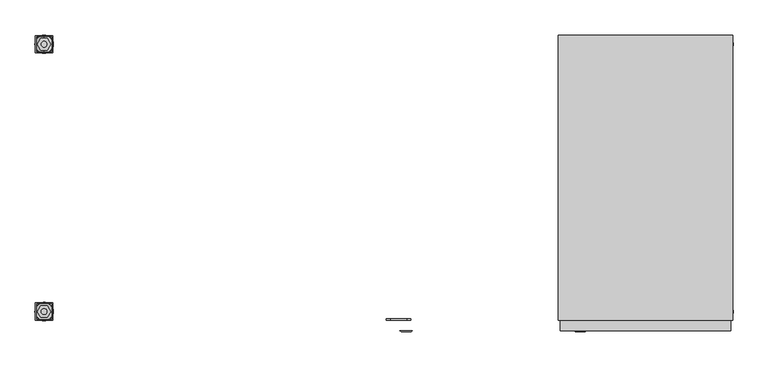
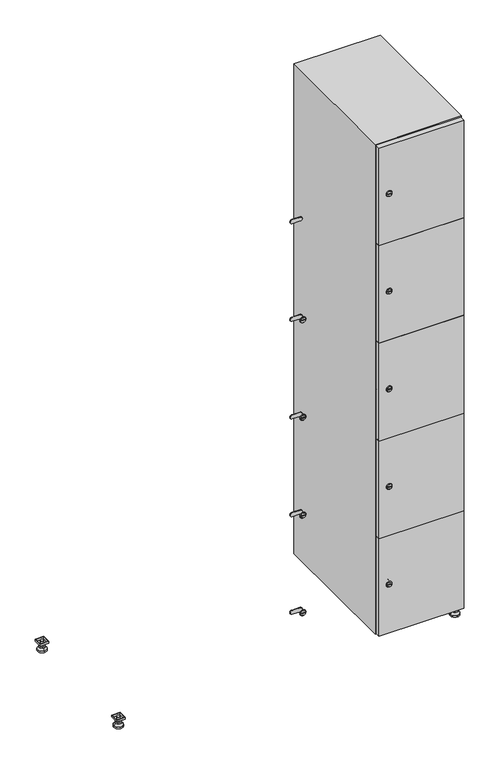
"""IFC4 building model written with IfcOpenShell, lengths in millimetres: furniture geometry."""

from ifc_helpers import new_model, si_unit, point, frame, frame_2d, origin, origin_with_axes, place, context, project, spatial, polyline, circle_curve, trimmed, segment, composite_curve, outline, extrude, faceted_brep, source, transform, mapped, element, save
from ifc_brep_helpers import plane_surface, revolved_surface, advanced_brep


def furniture_2a362561(model_context):
    return source(origin(), model_context, "Body", "SolidModel", [
        extrude(outline(polyline([(1000.0, 245.0), (1000.0, 215.0), (970.0, 215.0), (970.0, 245.0), (1000.0, 245.0)]), holes=[polyline([(998.0, 243.0), (972.0, 243.0), (972.0, 217.0), (998.0, 217.0), (998.0, 243.0)])]), frame((0.0, 0.0, 28.5), z_axis=(0.0, 0.0, 1.0), x_axis=(1.0, 0.0, 0.0)), (0.0, 0.0, 1.0), 6.5),
        extrude(outline(polyline([(970.0, -245.0), (970.0, -215.0), (1000.0, -215.0), (1000.0, -245.0), (970.0, -245.0)]), holes=[polyline([(972.0, -243.0), (998.0, -243.0), (998.0, -217.0), (972.0, -217.0), (972.0, -243.0)])]), frame((0.0, 0.0, 28.5), z_axis=(0.0, 0.0, 1.0), x_axis=(1.0, 0.0, 0.0)), (0.0, 0.0, 1.0), 6.5),
        extrude(outline(polyline([(-170.0, 245.0), (-170.0, 215.0), (-200.0, 215.0), (-200.0, 245.0), (-170.0, 245.0)]), holes=[polyline([(-172.0, 243.0), (-198.0, 243.0), (-198.0, 217.0), (-172.0, 217.0), (-172.0, 243.0)])]), frame((0.0, 0.0, 28.5), z_axis=(0.0, 0.0, 1.0), x_axis=(1.0, 0.0, 0.0)), (0.0, 0.0, 1.0), 6.5),
        extrude(outline(polyline([(-170.0, -215.0), (-170.0, -245.0), (-200.0, -245.0), (-200.0, -215.0), (-170.0, -215.0)]), holes=[polyline([(-198.0, -243.0), (-172.0, -243.0), (-172.0, -217.0), (-198.0, -217.0), (-198.0, -243.0)])]), frame((0.0, 0.0, 28.5), z_axis=(0.0, 0.0, 1.0), x_axis=(1.0, 0.0, 0.0)), (0.0, 0.0, 1.0), 6.5),
        extrude(outline(composite_curve([segment(trimmed(circle_curve(frame_2d((-185.0, 230.0)), 5.0), [point((-180.0, 230.0))], [point((-190.0, 230.0))], False, "CARTESIAN"), True, "CONTINUOUS"), segment(trimmed(circle_curve(frame_2d((-185.0, 230.0)), 5.0), [point((-190.0, 230.0))], [point((-180.0, 230.0))], False, "CARTESIAN"), True, "CONTINUOUS")], self_intersect=False)), frame((0.0, 0.0, 19.6), z_axis=(0.0, 0.0, 1.0), x_axis=(1.0, 0.0, 0.0)), (0.0, 0.0, 1.0), 15.4),
        extrude(outline(composite_curve([segment(trimmed(circle_curve(frame_2d((-185.0, -230.0)), 5.0), [point((-180.0, -230.0))], [point((-190.0, -230.0))], False, "CARTESIAN"), True, "CONTINUOUS"), segment(trimmed(circle_curve(frame_2d((-185.0, -230.0)), 5.0), [point((-190.0, -230.0))], [point((-180.0, -230.0))], False, "CARTESIAN"), True, "CONTINUOUS")], self_intersect=False)), frame((0.0, 0.0, 19.6), z_axis=(0.0, 0.0, 1.0), x_axis=(1.0, 0.0, 0.0)), (0.0, 0.0, 1.0), 15.4),
        extrude(outline(composite_curve([segment(trimmed(circle_curve(frame_2d((985.0, 230.0)), 5.0), [point((990.0, 230.0))], [point((980.0, 230.0))], False, "CARTESIAN"), True, "CONTINUOUS"), segment(trimmed(circle_curve(frame_2d((985.0, 230.0)), 5.0), [point((980.0, 230.0))], [point((990.0, 230.0))], False, "CARTESIAN"), True, "CONTINUOUS")], self_intersect=False)), frame((0.0, 0.0, 19.6), z_axis=(0.0, 0.0, 1.0), x_axis=(1.0, 0.0, 0.0)), (0.0, 0.0, 1.0), 15.4),
        extrude(outline(polyline([(973.4529946, 230.0), (979.2264973, 240.0), (990.7735027, 240.0), (996.5470054, 230.0), (990.7735027, 220.0), (979.2264973, 220.0), (973.4529946, 230.0)])), frame((0.0, 0.0, 13.6), z_axis=(0.0, 0.0, 1.0), x_axis=(1.0, 0.0, 0.0)), (0.0, 0.0, 1.0), 6.0),
        extrude(outline(composite_curve([segment(trimmed(circle_curve(frame_2d((985.0, -230.0)), 5.0), [point((990.0, -230.0))], [point((980.0, -230.0))], False, "CARTESIAN"), True, "CONTINUOUS"), segment(trimmed(circle_curve(frame_2d((985.0, -230.0)), 5.0), [point((980.0, -230.0))], [point((990.0, -230.0))], False, "CARTESIAN"), True, "CONTINUOUS")], self_intersect=False)), frame((0.0, 0.0, 19.6), z_axis=(0.0, 0.0, 1.0), x_axis=(1.0, 0.0, 0.0)), (0.0, 0.0, 1.0), 15.4),
        extrude(outline(polyline([(973.4529946, -230.0), (979.2264973, -220.0), (990.7735027, -220.0), (996.5470054, -230.0), (990.7735027, -240.0), (979.2264973, -240.0), (973.4529946, -230.0)])), frame((0.0, 0.0, 13.6), z_axis=(0.0, 0.0, 1.0), x_axis=(1.0, 0.0, 0.0)), (0.0, 0.0, 1.0), 6.0),
        extrude(outline(composite_curve([segment(trimmed(circle_curve(frame_2d((985.0, 230.0)), 5.0), [point((990.0, 230.0))], [point((980.0, 230.0))], False, "CARTESIAN"), True, "CONTINUOUS"), segment(trimmed(circle_curve(frame_2d((985.0, 230.0)), 5.0), [point((980.0, 230.0))], [point((990.0, 230.0))], False, "CARTESIAN"), True, "CONTINUOUS")], self_intersect=False)), frame((0.0, 0.0, 12.1), z_axis=(0.0, 0.0, 1.0), x_axis=(1.0, 0.0, 0.0)), (0.0, 0.0, 1.0), 1.5),
        extrude(outline(composite_curve([segment(trimmed(circle_curve(frame_2d((985.0, -230.0)), 5.0), [point((990.0, -230.0))], [point((980.0, -230.0))], False, "CARTESIAN"), True, "CONTINUOUS"), segment(trimmed(circle_curve(frame_2d((985.0, -230.0)), 5.0), [point((980.0, -230.0))], [point((990.0, -230.0))], False, "CARTESIAN"), True, "CONTINUOUS")], self_intersect=False)), frame((0.0, 0.0, 12.1), z_axis=(0.0, 0.0, 1.0), x_axis=(1.0, 0.0, 0.0)), (0.0, 0.0, 1.0), 1.5),
        extrude(outline(polyline([(-196.5470054, 230.0), (-190.7735027, 240.0), (-179.2264973, 240.0), (-173.4529946, 230.0), (-179.2264973, 220.0), (-190.7735027, 220.0), (-196.5470054, 230.0)])), frame((0.0, 0.0, 13.6), z_axis=(0.0, 0.0, 1.0), x_axis=(1.0, 0.0, 0.0)), (0.0, 0.0, 1.0), 6.0),
        extrude(outline(polyline([(-196.5470054, -230.0), (-190.7735027, -220.0), (-179.2264973, -220.0), (-173.4529946, -230.0), (-179.2264973, -240.0), (-190.7735027, -240.0), (-196.5470054, -230.0)])), frame((0.0, 0.0, 13.6), z_axis=(0.0, 0.0, 1.0), x_axis=(1.0, 0.0, 0.0)), (0.0, 0.0, 1.0), 6.0),
        extrude(outline(composite_curve([segment(trimmed(circle_curve(frame_2d((-185.0, 230.0)), 5.0), [point((-185.0, 235.0))], [point((-185.0, 225.0))], False, "CARTESIAN"), True, "CONTINUOUS"), segment(trimmed(circle_curve(frame_2d((-185.0, 230.0)), 5.0), [point((-185.0, 225.0))], [point((-185.0, 235.0))], False, "CARTESIAN"), True, "CONTINUOUS")], self_intersect=False)), frame((0.0, 0.0, 12.1), z_axis=(0.0, 0.0, 1.0), x_axis=(1.0, 0.0, 0.0)), (0.0, 0.0, 1.0), 1.5),
        extrude(outline(composite_curve([segment(trimmed(circle_curve(frame_2d((-185.0, -230.0)), 5.0), [point((-180.0, -230.0))], [point((-190.0, -230.0))], False, "CARTESIAN"), True, "CONTINUOUS"), segment(trimmed(circle_curve(frame_2d((-185.0, -230.0)), 5.0), [point((-190.0, -230.0))], [point((-180.0, -230.0))], False, "CARTESIAN"), True, "CONTINUOUS")], self_intersect=False)), frame((0.0, 0.0, 12.1), z_axis=(0.0, 0.0, 1.0), x_axis=(1.0, 0.0, 0.0)), (0.0, 0.0, 1.0), 1.5),
        extrude(outline(composite_curve([segment(trimmed(circle_curve(frame_2d((985.0, 230.0)), 15.75), [point((1000.75, 230.0))], [point((969.25, 230.0))], False, "CARTESIAN"), True, "CONTINUOUS"), segment(trimmed(circle_curve(frame_2d((985.0, 230.0)), 15.75), [point((969.25, 230.0))], [point((1000.75, 230.0))], False, "CARTESIAN"), True, "CONTINUOUS")], self_intersect=False)), origin_with_axes(), (0.0, 0.0, 1.0), 5.1),
        extrude(outline(composite_curve([segment(trimmed(circle_curve(frame_2d((985.0, -230.0)), 15.75), [point((985.0, -214.25))], [point((985.0, -245.75))], False, "CARTESIAN"), True, "CONTINUOUS"), segment(trimmed(circle_curve(frame_2d((985.0, -230.0)), 15.75), [point((985.0, -245.75))], [point((985.0, -214.25))], False, "CARTESIAN"), True, "CONTINUOUS")], self_intersect=False)), origin_with_axes(), (0.0, 0.0, 1.0), 5.1),
        extrude(outline(composite_curve([segment(trimmed(circle_curve(frame_2d((-185.0, -230.0)), 15.75), [point((-169.25, -230.0))], [point((-200.75, -230.0))], False, "CARTESIAN"), True, "CONTINUOUS"), segment(trimmed(circle_curve(frame_2d((-185.0, -230.0)), 15.75), [point((-200.75, -230.0))], [point((-169.25, -230.0))], False, "CARTESIAN"), True, "CONTINUOUS")], self_intersect=False)), origin_with_axes(), (0.0, 0.0, 1.0), 5.1),
        extrude(outline(composite_curve([segment(trimmed(circle_curve(frame_2d((-185.0, 230.0)), 15.75), [point((-169.25, 230.0))], [point((-200.75, 230.0))], False, "CARTESIAN"), True, "CONTINUOUS"), segment(trimmed(circle_curve(frame_2d((-185.0, 230.0)), 15.75), [point((-200.75, 230.0))], [point((-169.25, 230.0))], False, "CARTESIAN"), True, "CONTINUOUS")], self_intersect=False)), origin_with_axes(), (0.0, 0.0, 1.0), 5.1),
        advanced_brep(
        [(-185.0, 239.5, 12.1), (-185.0, 220.5, 12.1), (-185.0, 214.25, 5.1), (-185.0, 245.75, 5.1)],
        [
            (0, 1, circle_curve(frame((-185.0, 230.0, 12.1), z_axis=(0.0, 0.0, -1.0), x_axis=(0.0, 1.0, 0.0)), 9.5)),
            (1, 2),
            (2, 3, circle_curve(frame((-185.0, 230.0, 5.1), z_axis=(0.0, 0.0, 1.0), x_axis=(0.0, 1.0, 0.0)), 15.75)),
            (3, 0),
            (1, 0, circle_curve(frame((-185.0, 230.0, 12.1), z_axis=(0.0, 0.0, -1.0), x_axis=(0.0, -1.0, 0.0)), 9.5)),
            (3, 2, circle_curve(frame((-185.0, 230.0, 5.1), z_axis=(0.0, 0.0, 1.0), x_axis=(0.0, -1.0, 0.0)), 15.75)),
        ],
        [
            revolved_surface(polyline([(-185.0, 220.5, 12.099999999999998), (-185.0, 214.25, 5.099999999999998)]), (-185.0, 230.0, 22.74), (0.0, 0.0, -1.0)),
            revolved_surface(polyline([(-185.0, 239.5, 12.099999999999998), (-185.0, 245.75, 5.099999999999998)]), (-185.0, 230.0, 22.74), (0.0, 0.0, -1.0)),
            plane_surface(frame((-185.0, 230.0, 5.1), z_axis=(0.0, 0.0, -1.0), x_axis=(1.0, 0.0, 0.0))),
            plane_surface(frame((-185.0, 230.0, 12.1), z_axis=(0.0, 0.0, 1.0), x_axis=(1.0, 0.0, 0.0))),
        ],
        [
            (0, [[1, 2, 3, 4]]),
            (1, [[5, -4, 6, -2]]),
            (2, [[-3, -6]]),
            (3, [[-5, -1]]),
        ],
    ),
        advanced_brep(
        [(985.0, 239.5, 12.1), (985.0, 220.5, 12.1), (985.0, 214.25, 5.1), (985.0, 245.75, 5.1)],
        [
            (0, 1, circle_curve(frame((985.0, 230.0, 12.1), z_axis=(0.0, 0.0, -1.0), x_axis=(0.0, 1.0, 0.0)), 9.5)),
            (1, 2),
            (2, 3, circle_curve(frame((985.0, 230.0, 5.1), z_axis=(0.0, 0.0, 1.0), x_axis=(0.0, 1.0, 0.0)), 15.75)),
            (3, 0),
            (1, 0, circle_curve(frame((985.0, 230.0, 12.1), z_axis=(0.0, 0.0, -1.0), x_axis=(0.0, -1.0, 0.0)), 9.5)),
            (3, 2, circle_curve(frame((985.0, 230.0, 5.1), z_axis=(0.0, 0.0, 1.0), x_axis=(0.0, -1.0, 0.0)), 15.75)),
        ],
        [
            revolved_surface(polyline([(985.0, 220.5, 12.099999999999998), (985.0, 214.25, 5.099999999999998)]), (985.0, 230.0, 22.74), (0.0, 0.0, -1.0)),
            revolved_surface(polyline([(985.0, 239.5, 12.099999999999998), (985.0, 245.75, 5.099999999999998)]), (985.0, 230.0, 22.74), (0.0, 0.0, -1.0)),
            plane_surface(frame((985.0, 230.0, 5.1), z_axis=(0.0, 0.0, -1.0), x_axis=(1.0, 0.0, 0.0))),
            plane_surface(frame((985.0, 230.0, 12.1), z_axis=(0.0, 0.0, 1.0), x_axis=(1.0, 0.0, 0.0))),
        ],
        [
            (0, [[1, 2, 3, 4]]),
            (1, [[5, -4, 6, -2]]),
            (2, [[-3, -6]]),
            (3, [[-5, -1]]),
        ],
    ),
        advanced_brep(
        [(1000.75, -230.0, 5.1), (969.25, -230.0, 5.1), (975.5, -230.0, 12.1), (994.5, -230.0, 12.1)],
        [
            (0, 1, circle_curve(frame((985.0, -230.0, 5.1), z_axis=(0.0, 0.0, 1.0), x_axis=(1.0, 0.0, 0.0)), 15.75)),
            (1, 2),
            (2, 3, circle_curve(frame((985.0, -230.0, 12.1), z_axis=(0.0, 0.0, -1.0), x_axis=(1.0, 0.0, 0.0)), 9.5)),
            (3, 0),
            (1, 0, circle_curve(frame((985.0, -230.0, 5.1), z_axis=(0.0, 0.0, 1.0), x_axis=(-1.0, 0.0, 0.0)), 15.75)),
            (3, 2, circle_curve(frame((985.0, -230.0, 12.1), z_axis=(0.0, 0.0, -1.0), x_axis=(-1.0, 0.0, 0.0)), 9.5)),
        ],
        [
            revolved_surface(polyline([(994.5, -230.0, 12.099999999999998), (1000.75, -230.0, 5.099999999999998)]), (985.0, -230.0, 22.74), (0.0, 0.0, -1.0)),
            revolved_surface(polyline([(975.5, -230.0, 12.099999999999998), (969.25, -230.0, 5.099999999999998)]), (985.0, -230.0, 22.74), (0.0, 0.0, -1.0)),
            plane_surface(frame((985.0, -230.0, 12.1), z_axis=(0.0, 0.0, 1.0), x_axis=(0.0, 1.0, 0.0))),
            plane_surface(frame((985.0, -230.0, 5.1), z_axis=(0.0, 0.0, -1.0), x_axis=(0.0, 1.0, 0.0))),
        ],
        [
            (0, [[1, 2, 3, 4]]),
            (1, [[5, -4, 6, -2]]),
            (2, [[-3, -6]]),
            (3, [[-5, -1]]),
        ],
    ),
        advanced_brep(
        [(-169.25, -230.0, 5.1), (-200.75, -230.0, 5.1), (-194.5, -230.0, 12.1), (-175.5, -230.0, 12.1)],
        [
            (0, 1, circle_curve(frame((-185.0, -230.0, 5.1), z_axis=(0.0, 0.0, 1.0), x_axis=(1.0, 0.0, 0.0)), 15.75)),
            (1, 2),
            (2, 3, circle_curve(frame((-185.0, -230.0, 12.1), z_axis=(0.0, 0.0, -1.0), x_axis=(1.0, 0.0, 0.0)), 9.5)),
            (3, 0),
            (1, 0, circle_curve(frame((-185.0, -230.0, 5.1), z_axis=(0.0, 0.0, 1.0), x_axis=(-1.0, 0.0, 0.0)), 15.75)),
            (3, 2, circle_curve(frame((-185.0, -230.0, 12.1), z_axis=(0.0, 0.0, -1.0), x_axis=(-1.0, 0.0, 0.0)), 9.5)),
        ],
        [
            revolved_surface(polyline([(-175.5, -230.0, 12.099999999999998), (-169.25, -230.0, 5.099999999999998)]), (-185.0, -230.0, 22.74), (0.0, 0.0, -1.0)),
            revolved_surface(polyline([(-194.5, -230.0, 12.099999999999998), (-200.75, -230.0, 5.099999999999998)]), (-185.0, -230.0, 22.74), (0.0, 0.0, -1.0)),
            plane_surface(frame((-185.0, -230.0, 12.1), z_axis=(0.0, 0.0, 1.0), x_axis=(0.0, 1.0, 0.0))),
            plane_surface(frame((-185.0, -230.0, 5.1), z_axis=(0.0, 0.0, -1.0), x_axis=(0.0, 1.0, 0.0))),
        ],
        [
            (0, [[1, 2, 3, 4]]),
            (1, [[5, -4, 6, -2]]),
            (2, [[-3, -6]]),
            (3, [[-5, -1]]),
        ],
    ),
        extrude(outline(composite_curve([segment(trimmed(circle_curve(frame_2d((217.4, 711.2010534)), 7.0), [point((224.4, 711.2010534))], [point((210.4, 711.2010534))], False, "CARTESIAN"), True, "CONTINUOUS"), segment(polyline([(210.4, 711.2010534), (210.4, 739.2010534)]), True, "CONTINUOUS"), segment(trimmed(circle_curve(frame_2d((217.4, 739.2010534)), 7.0), [point((210.4, 739.2010534))], [point((224.4, 739.2010534))], False, "CARTESIAN"), True, "CONTINUOUS"), segment(polyline([(224.4, 739.2010534), (224.4, 711.2010534)]), True, "CONTINUOUS")], self_intersect=False)), frame((0.0, -245.0, 0.0), z_axis=(0.0, 1.0, 0.0), x_axis=(0.0, 0.0, 1.0)), (0.0, 0.0, 1.0), 2.0),
        advanced_brep(
        [(746.5, -265.2, 217.4), (729.5, -265.2, 217.4), (733.0, -265.2, 216.15), (733.0, -265.2, 218.65), (743.0, -265.2, 218.65), (743.0, -265.2, 216.15), (748.5, -263.0, 217.4), (727.5, -263.0, 217.4), (733.0, -263.0, 218.65), (733.0, -263.0, 216.15), (743.0, -263.0, 216.15), (743.0, -263.0, 218.65)],
        [
            (0, 1, circle_curve(frame((738.0, -265.2, 217.4), z_axis=(0.0, -1.0, 0.0), x_axis=(1.0, 0.0, 0.0)), 8.5)),
            (1, 0, circle_curve(frame((738.0, -265.2, 217.4), z_axis=(0.0, -1.0, 0.0), x_axis=(-1.0, 0.0, 0.0)), 8.5)),
            (2, 3),
            (3, 4),
            (4, 5),
            (5, 2),
            (6, 7, circle_curve(frame((738.0, -263.0, 217.4), z_axis=(0.0, 1.0, 0.0), x_axis=(-1.0, 0.0, 0.0)), 10.5)),
            (7, 6, circle_curve(frame((738.0, -263.0, 217.4), z_axis=(0.0, 1.0, 0.0), x_axis=(1.0, 0.0, 0.0)), 10.5)),
            (8, 9),
            (9, 10),
            (10, 11),
            (11, 8),
            (0, 6),
            (7, 1),
            (8, 3),
            (2, 9),
            (11, 4),
            (10, 5),
        ],
        [
            plane_surface(frame((738.0, -265.2, 217.4), z_axis=(0.0, -1.0, 0.0), x_axis=(0.0, 0.0, 1.0))),
            plane_surface(frame((738.0, -263.0, 217.4), z_axis=(0.0, 1.0, 0.0), x_axis=(0.0, 0.0, 1.0))),
            revolved_surface(polyline([(746.5, -265.2, 217.4), (748.5, -263.0, 217.4)]), (738.0, -274.55, 217.4), (0.0, 1.0, 0.0)),
            revolved_surface(polyline([(729.5, -265.2, 217.4), (727.5, -263.0, 217.4)]), (738.0, -274.55, 217.4), (0.0, 1.0, 0.0)),
            plane_surface(frame((733.0, -263.0, 216.15), z_axis=(1.0, 0.0, 0.0), x_axis=(0.0, -1.0, 0.0))),
            plane_surface(frame((733.0, -263.0, 218.65), z_axis=(0.0, 0.0, -1.0), x_axis=(0.0, -1.0, 0.0))),
            plane_surface(frame((743.0, -263.0, 218.65), z_axis=(-1.0, 0.0, 0.0), x_axis=(0.0, -1.0, 0.0))),
            plane_surface(frame((743.0, -263.0, 216.15), z_axis=(0.0, 0.0, 1.0), x_axis=(0.0, -1.0, 0.0))),
        ],
        [
            (0, [[1, 2], [3, 4, 5, 6]]),
            (1, [[7, 8], [9, 10, 11, 12]]),
            (2, [[-1, 13, -8, 14]]),
            (3, [[-2, -14, -7, -13]]),
            (4, [[15, -3, 16, -9]]),
            (5, [[-15, -12, 17, -4]]),
            (6, [[-17, -11, 18, -5]]),
            (7, [[-16, -6, -18, -10]]),
        ],
    ),
        extrude(outline(composite_curve([segment(trimmed(circle_curve(frame_2d((576.2, 711.2010534)), 7.0), [point((583.2, 711.2010534))], [point((569.2, 711.2010534))], False, "CARTESIAN"), True, "CONTINUOUS"), segment(polyline([(569.2, 711.2010534), (569.2, 739.2010534)]), True, "CONTINUOUS"), segment(trimmed(circle_curve(frame_2d((576.2, 739.2010534)), 7.0), [point((569.2, 739.2010534))], [point((583.2, 739.2010534))], False, "CARTESIAN"), True, "CONTINUOUS"), segment(polyline([(583.2, 739.2010534), (583.2, 711.2010534)]), True, "CONTINUOUS")], self_intersect=False)), frame((0.0, -245.0, 0.0), z_axis=(0.0, 1.0, 0.0), x_axis=(0.0, 0.0, 1.0)), (0.0, 0.0, 1.0), 2.0),
        advanced_brep(
        [(746.5, -265.2, 576.2), (729.5, -265.2, 576.2), (733.0, -265.2, 574.95), (733.0, -265.2, 577.45), (743.0, -265.2, 577.45), (743.0, -265.2, 574.95), (748.5, -263.0, 576.2), (727.5, -263.0, 576.2), (733.0, -263.0, 577.45), (733.0, -263.0, 574.95), (743.0, -263.0, 574.95), (743.0, -263.0, 577.45)],
        [
            (0, 1, circle_curve(frame((738.0, -265.2, 576.2), z_axis=(0.0, -1.0, 0.0), x_axis=(1.0, 0.0, 0.0)), 8.5)),
            (1, 0, circle_curve(frame((738.0, -265.2, 576.2), z_axis=(0.0, -1.0, 0.0), x_axis=(-1.0, 0.0, 0.0)), 8.5)),
            (2, 3),
            (3, 4),
            (4, 5),
            (5, 2),
            (6, 7, circle_curve(frame((738.0, -263.0, 576.2), z_axis=(0.0, 1.0, 0.0), x_axis=(-1.0, 0.0, 0.0)), 10.5)),
            (7, 6, circle_curve(frame((738.0, -263.0, 576.2), z_axis=(0.0, 1.0, 0.0), x_axis=(1.0, 0.0, 0.0)), 10.5)),
            (8, 9),
            (9, 10),
            (10, 11),
            (11, 8),
            (0, 6),
            (7, 1),
            (8, 3),
            (2, 9),
            (11, 4),
            (10, 5),
        ],
        [
            plane_surface(frame((738.0, -265.2, 576.2), z_axis=(0.0, -1.0, 0.0), x_axis=(0.0, 0.0, 1.0))),
            plane_surface(frame((738.0, -263.0, 576.2), z_axis=(0.0, 1.0, 0.0), x_axis=(0.0, 0.0, 1.0))),
            revolved_surface(polyline([(746.5, -265.2, 576.2), (748.5, -263.0, 576.2)]), (738.0, -274.55, 576.2), (0.0, 1.0, 0.0)),
            revolved_surface(polyline([(729.5, -265.2, 576.2), (727.5, -263.0, 576.2)]), (738.0, -274.55, 576.2), (0.0, 1.0, 0.0)),
            plane_surface(frame((733.0, -263.0, 574.95), z_axis=(1.0, 0.0, 0.0), x_axis=(0.0, -1.0, 0.0))),
            plane_surface(frame((733.0, -263.0, 577.45), z_axis=(0.0, 0.0, -1.0), x_axis=(0.0, -1.0, 0.0))),
            plane_surface(frame((743.0, -263.0, 577.45), z_axis=(-1.0, 0.0, 0.0), x_axis=(0.0, -1.0, 0.0))),
            plane_surface(frame((743.0, -263.0, 574.95), z_axis=(0.0, 0.0, 1.0), x_axis=(0.0, -1.0, 0.0))),
        ],
        [
            (0, [[1, 2], [3, 4, 5, 6]]),
            (1, [[7, 8], [9, 10, 11, 12]]),
            (2, [[-1, 13, -8, 14]]),
            (3, [[-2, -14, -7, -13]]),
            (4, [[15, -3, 16, -9]]),
            (5, [[-15, -12, 17, -4]]),
            (6, [[-17, -11, 18, -5]]),
            (7, [[-16, -6, -18, -10]]),
        ],
    ),
        extrude(outline(composite_curve([segment(trimmed(circle_curve(frame_2d((935.0, 711.2010534)), 7.0), [point((942.0, 711.2010534))], [point((928.0, 711.2010534))], False, "CARTESIAN"), True, "CONTINUOUS"), segment(polyline([(928.0, 711.2010534), (928.0, 739.2010534)]), True, "CONTINUOUS"), segment(trimmed(circle_curve(frame_2d((935.0, 739.2010534)), 7.0), [point((928.0, 739.2010534))], [point((942.0, 739.2010534))], False, "CARTESIAN"), True, "CONTINUOUS"), segment(polyline([(942.0, 739.2010534), (942.0, 711.2010534)]), True, "CONTINUOUS")], self_intersect=False)), frame((0.0, -245.0, 0.0), z_axis=(0.0, 1.0, 0.0), x_axis=(0.0, 0.0, 1.0)), (0.0, 0.0, 1.0), 2.0),
        advanced_brep(
        [(746.5, -265.2, 935.0), (729.5, -265.2, 935.0), (733.0, -265.2, 933.75), (733.0, -265.2, 936.25), (743.0, -265.2, 936.25), (743.0, -265.2, 933.75), (748.5, -263.0, 935.0), (727.5, -263.0, 935.0), (733.0, -263.0, 936.25), (733.0, -263.0, 933.75), (743.0, -263.0, 933.75), (743.0, -263.0, 936.25)],
        [
            (0, 1, circle_curve(frame((738.0, -265.2, 935.0), z_axis=(0.0, -1.0, 0.0), x_axis=(1.0, 0.0, 0.0)), 8.5)),
            (1, 0, circle_curve(frame((738.0, -265.2, 935.0), z_axis=(0.0, -1.0, 0.0), x_axis=(-1.0, 0.0, 0.0)), 8.5)),
            (2, 3),
            (3, 4),
            (4, 5),
            (5, 2),
            (6, 7, circle_curve(frame((738.0, -263.0, 935.0), z_axis=(0.0, 1.0, 0.0), x_axis=(-1.0, 0.0, 0.0)), 10.5)),
            (7, 6, circle_curve(frame((738.0, -263.0, 935.0), z_axis=(0.0, 1.0, 0.0), x_axis=(1.0, 0.0, 0.0)), 10.5)),
            (8, 9),
            (9, 10),
            (10, 11),
            (11, 8),
            (0, 6),
            (7, 1),
            (8, 3),
            (2, 9),
            (11, 4),
            (10, 5),
        ],
        [
            plane_surface(frame((738.0, -265.2, 935.0), z_axis=(0.0, -1.0, 0.0), x_axis=(0.0, 0.0, 1.0))),
            plane_surface(frame((738.0, -263.0, 935.0), z_axis=(0.0, 1.0, 0.0), x_axis=(0.0, 0.0, 1.0))),
            revolved_surface(polyline([(746.5, -265.2, 935.0), (748.5, -263.0, 935.0)]), (738.0, -274.55, 935.0), (0.0, 1.0, 0.0)),
            revolved_surface(polyline([(729.5, -265.2, 935.0), (727.5, -263.0, 935.0)]), (738.0, -274.55, 935.0), (0.0, 1.0, 0.0)),
            plane_surface(frame((733.0, -263.0, 933.75), z_axis=(1.0, 0.0, 0.0), x_axis=(0.0, -1.0, 0.0))),
            plane_surface(frame((733.0, -263.0, 936.25), z_axis=(0.0, 0.0, -1.0), x_axis=(0.0, -1.0, 0.0))),
            plane_surface(frame((743.0, -263.0, 936.25), z_axis=(-1.0, 0.0, 0.0), x_axis=(0.0, -1.0, 0.0))),
            plane_surface(frame((743.0, -263.0, 933.75), z_axis=(0.0, 0.0, 1.0), x_axis=(0.0, -1.0, 0.0))),
        ],
        [
            (0, [[1, 2], [3, 4, 5, 6]]),
            (1, [[7, 8], [9, 10, 11, 12]]),
            (2, [[-1, 13, -8, 14]]),
            (3, [[-2, -14, -7, -13]]),
            (4, [[15, -3, 16, -9]]),
            (5, [[-15, -12, 17, -4]]),
            (6, [[-17, -11, 18, -5]]),
            (7, [[-16, -6, -18, -10]]),
        ],
    ),
        extrude(outline(composite_curve([segment(trimmed(circle_curve(frame_2d((1293.8, 711.2010534)), 7.0), [point((1300.8, 711.2010534))], [point((1286.8, 711.2010534))], False, "CARTESIAN"), True, "CONTINUOUS"), segment(polyline([(1286.8, 711.2010534), (1286.8, 739.2010534)]), True, "CONTINUOUS"), segment(trimmed(circle_curve(frame_2d((1293.8, 739.2010534)), 7.0), [point((1286.8, 739.2010534))], [point((1300.8, 739.2010534))], False, "CARTESIAN"), True, "CONTINUOUS"), segment(polyline([(1300.8, 739.2010534), (1300.8, 711.2010534)]), True, "CONTINUOUS")], self_intersect=False)), frame((0.0, -245.0, 0.0), z_axis=(0.0, 1.0, 0.0), x_axis=(0.0, 0.0, 1.0)), (0.0, 0.0, 1.0), 2.0),
        advanced_brep(
        [(746.5, -265.2, 1293.8), (729.5, -265.2, 1293.8), (733.0, -265.2, 1292.55), (733.0, -265.2, 1295.05), (743.0, -265.2, 1295.05), (743.0, -265.2, 1292.55), (748.5, -263.0, 1293.8), (727.5, -263.0, 1293.8), (733.0, -263.0, 1295.05), (733.0, -263.0, 1292.55), (743.0, -263.0, 1292.55), (743.0, -263.0, 1295.05)],
        [
            (0, 1, circle_curve(frame((738.0, -265.2, 1293.8), z_axis=(0.0, -1.0, 0.0), x_axis=(1.0, 0.0, 0.0)), 8.5)),
            (1, 0, circle_curve(frame((738.0, -265.2, 1293.8), z_axis=(0.0, -1.0, 0.0), x_axis=(-1.0, 0.0, 0.0)), 8.5)),
            (2, 3),
            (3, 4),
            (4, 5),
            (5, 2),
            (6, 7, circle_curve(frame((738.0, -263.0, 1293.8), z_axis=(0.0, 1.0, 0.0), x_axis=(-1.0, 0.0, 0.0)), 10.5)),
            (7, 6, circle_curve(frame((738.0, -263.0, 1293.8), z_axis=(0.0, 1.0, 0.0), x_axis=(1.0, 0.0, 0.0)), 10.5)),
            (8, 9),
            (9, 10),
            (10, 11),
            (11, 8),
            (0, 6),
            (7, 1),
            (8, 3),
            (2, 9),
            (11, 4),
            (10, 5),
        ],
        [
            plane_surface(frame((738.0, -265.2, 1293.8), z_axis=(0.0, -1.0, 0.0), x_axis=(0.0, 0.0, 1.0))),
            plane_surface(frame((738.0, -263.0, 1293.8), z_axis=(0.0, 1.0, 0.0), x_axis=(0.0, 0.0, 1.0))),
            revolved_surface(polyline([(746.5, -265.2, 1293.8), (748.5, -263.0, 1293.8)]), (738.0, -274.55, 1293.8), (0.0, 1.0, 0.0)),
            revolved_surface(polyline([(729.5, -265.2, 1293.8), (727.5, -263.0, 1293.8)]), (738.0, -274.55, 1293.8), (0.0, 1.0, 0.0)),
            plane_surface(frame((733.0, -263.0, 1292.55), z_axis=(1.0, 0.0, 0.0), x_axis=(0.0, -1.0, 0.0))),
            plane_surface(frame((733.0, -263.0, 1295.05), z_axis=(0.0, 0.0, -1.0), x_axis=(0.0, -1.0, 0.0))),
            plane_surface(frame((743.0, -263.0, 1295.05), z_axis=(-1.0, 0.0, 0.0), x_axis=(0.0, -1.0, 0.0))),
            plane_surface(frame((743.0, -263.0, 1292.55), z_axis=(0.0, 0.0, 1.0), x_axis=(0.0, -1.0, 0.0))),
        ],
        [
            (0, [[1, 2], [3, 4, 5, 6]]),
            (1, [[7, 8], [9, 10, 11, 12]]),
            (2, [[-1, 13, -8, 14]]),
            (3, [[-2, -14, -7, -13]]),
            (4, [[15, -3, 16, -9]]),
            (5, [[-15, -12, 17, -4]]),
            (6, [[-17, -11, 18, -5]]),
            (7, [[-16, -6, -18, -10]]),
        ],
    ),
        extrude(outline(composite_curve([segment(trimmed(circle_curve(frame_2d((1652.6, 711.2010534)), 7.0), [point((1659.6, 711.2010534))], [point((1645.6, 711.2010534))], False, "CARTESIAN"), True, "CONTINUOUS"), segment(polyline([(1645.6, 711.2010534), (1645.6, 739.2010534)]), True, "CONTINUOUS"), segment(trimmed(circle_curve(frame_2d((1652.6, 739.2010534)), 7.0), [point((1645.6, 739.2010534))], [point((1659.6, 739.2010534))], False, "CARTESIAN"), True, "CONTINUOUS"), segment(polyline([(1659.6, 739.2010534), (1659.6, 711.2010534)]), True, "CONTINUOUS")], self_intersect=False)), frame((0.0, -245.0, 0.0), z_axis=(0.0, 1.0, 0.0), x_axis=(0.0, 0.0, 1.0)), (0.0, 0.0, 1.0), 2.0),
        advanced_brep(
        [(746.5, -265.2, 1652.6), (729.5, -265.2, 1652.6), (733.0, -265.2, 1651.35), (733.0, -265.2, 1653.85), (743.0, -265.2, 1653.85), (743.0, -265.2, 1651.35), (748.5, -263.0, 1652.6), (727.5, -263.0, 1652.6), (733.0, -263.0, 1653.85), (733.0, -263.0, 1651.35), (743.0, -263.0, 1651.35), (743.0, -263.0, 1653.85)],
        [
            (0, 1, circle_curve(frame((738.0, -265.2, 1652.6), z_axis=(0.0, -1.0, 0.0), x_axis=(1.0, 0.0, 0.0)), 8.5)),
            (1, 0, circle_curve(frame((738.0, -265.2, 1652.6), z_axis=(0.0, -1.0, 0.0), x_axis=(-1.0, 0.0, 0.0)), 8.5)),
            (2, 3),
            (3, 4),
            (4, 5),
            (5, 2),
            (6, 7, circle_curve(frame((738.0, -263.0, 1652.6), z_axis=(0.0, 1.0, 0.0), x_axis=(-1.0, 0.0, 0.0)), 10.5)),
            (7, 6, circle_curve(frame((738.0, -263.0, 1652.6), z_axis=(0.0, 1.0, 0.0), x_axis=(1.0, 0.0, 0.0)), 10.5)),
            (8, 9),
            (9, 10),
            (10, 11),
            (11, 8),
            (0, 6),
            (7, 1),
            (8, 3),
            (2, 9),
            (11, 4),
            (10, 5),
        ],
        [
            plane_surface(frame((738.0, -265.2, 1652.6), z_axis=(0.0, -1.0, 0.0), x_axis=(0.0, 0.0, 1.0))),
            plane_surface(frame((738.0, -263.0, 1652.6), z_axis=(0.0, 1.0, 0.0), x_axis=(0.0, 0.0, 1.0))),
            revolved_surface(polyline([(746.5, -265.2, 1652.6), (748.5, -263.0, 1652.6)]), (738.0, -274.55, 1652.6), (0.0, 1.0, 0.0)),
            revolved_surface(polyline([(729.5, -265.2, 1652.6), (727.5, -263.0, 1652.6)]), (738.0, -274.55, 1652.6), (0.0, 1.0, 0.0)),
            plane_surface(frame((733.0, -263.0, 1651.35), z_axis=(1.0, 0.0, 0.0), x_axis=(0.0, -1.0, 0.0))),
            plane_surface(frame((733.0, -263.0, 1653.85), z_axis=(0.0, 0.0, -1.0), x_axis=(0.0, -1.0, 0.0))),
            plane_surface(frame((743.0, -263.0, 1653.85), z_axis=(-1.0, 0.0, 0.0), x_axis=(0.0, -1.0, 0.0))),
            plane_surface(frame((743.0, -263.0, 1651.35), z_axis=(0.0, 0.0, 1.0), x_axis=(0.0, -1.0, 0.0))),
        ],
        [
            (0, [[1, 2], [3, 4, 5, 6]]),
            (1, [[7, 8], [9, 10, 11, 12]]),
            (2, [[-1, 13, -8, 14]]),
            (3, [[-2, -14, -7, -13]]),
            (4, [[15, -3, 16, -9]]),
            (5, [[-15, -12, 17, -4]]),
            (6, [[-17, -11, 18, -5]]),
            (7, [[-16, -6, -18, -10]]),
        ],
    ),
        extrude(outline(polyline([(997.0, -245.0), (997.0, -263.0), (703.0, -263.0), (703.0, -245.0), (997.0, -245.0)])), frame((0.0, 0.0, 755.1), z_axis=(0.0, 0.0, 1.0), x_axis=(1.0, 0.0, 0.0)), (0.0, 0.0, 1.0), 359.8),
        extrude(outline(polyline([(997.0, -245.0), (997.0, -263.0), (703.0, -263.0), (703.0, -245.0), (997.0, -245.0)])), frame((0.0, 0.0, 396.3), z_axis=(0.0, 0.0, 1.0), x_axis=(1.0, 0.0, 0.0)), (0.0, 0.0, 1.0), 359.8),
        extrude(outline(polyline([(997.0, -245.0), (997.0, -263.0), (703.0, -263.0), (703.0, -245.0), (997.0, -245.0)])), frame((0.0, 0.0, 1113.9), z_axis=(0.0, 0.0, 1.0), x_axis=(1.0, 0.0, 0.0)), (0.0, 0.0, 1.0), 358.8),
        extrude(outline(polyline([(703.0, -263.0), (703.0, -245.0), (997.0, -245.0), (997.0, -263.0), (703.0, -263.0)])), frame((0.0, 0.0, 1473.7), z_axis=(0.0, 0.0, 1.0), x_axis=(1.0, 0.0, 0.0)), (0.0, 0.0, 1.0), 358.3),
        extrude(outline(polyline([(997.0, -245.0), (997.0, -263.0), (703.0, -263.0), (703.0, -245.0), (997.0, -245.0)])), frame((0.0, 0.0, 38.0), z_axis=(0.0, 0.0, 1.0), x_axis=(1.0, 0.0, 0.0)), (0.0, 0.0, 1.0), 359.3),
        extrude(outline(polyline([(979.6, 242.0), (979.6, -227.0), (720.4, -227.0), (720.4, 242.0), (979.6, 242.0)])), frame((0.0, 0.0, 1446.68), z_axis=(0.0, 0.0, 1.0), x_axis=(1.0, 0.0, 0.0)), (0.0, 0.0, 1.0), 20.4),
        extrude(outline(polyline([(979.6, 242.0), (979.6, -227.0), (720.4, -227.0), (720.4, 242.0), (979.6, 242.0)])), frame((0.0, 0.0, 1098.76), z_axis=(0.0, 0.0, 1.0), x_axis=(1.0, 0.0, 0.0)), (0.0, 0.0, 1.0), 20.4),
        extrude(outline(polyline([(979.6, 242.0), (979.6, -227.0), (720.4, -227.0), (720.4, 242.0), (979.6, 242.0)])), frame((0.0, 0.0, 750.84), z_axis=(0.0, 0.0, 1.0), x_axis=(1.0, 0.0, 0.0)), (0.0, 0.0, 1.0), 20.4),
        extrude(outline(polyline([(720.4, 242.0), (979.6, 242.0), (979.6, -227.0), (720.4, -227.0), (720.4, 242.0)])), frame((0.0, 0.0, 402.92), z_axis=(0.0, 0.0, 1.0), x_axis=(1.0, 0.0, 0.0)), (0.0, 0.0, 1.0), 20.4),
        faceted_brep([(1000.0, -245.0, 35.0), (1000.0, -245.0, 1835.0), (700.0, -245.0, 1835.0), (700.0, -245.0, 35.0), (979.6, -245.0, 1804.8), (979.6, -245.0, 65.2), (720.4, -245.0, 65.2), (720.4, -245.0, 1804.8), (1000.0, 245.0, 35.0), (700.0, 245.0, 35.0), (1000.0, 245.0, 1835.0), (700.0, 245.0, 1835.0), (979.6, 242.0, 1804.8), (979.6, 242.0, 65.2), (700.0, 245.0, 1804.8), (720.4, 242.0, 1804.8), (720.4, 242.0, 65.2)], [[[0, 1, 2, 3], [4, 5, 6, 7]], [[8, 0, 3, 9]], [[1, 0, 8, 10]], [[1, 10, 11, 2]], [[4, 12, 13, 5]], [[9, 3, 2, 11, 14]], [[10, 8, 9, 14, 11]], [[12, 15, 16, 13]], [[15, 7, 6, 16]], [[4, 7, 15, 12]], [[6, 5, 13, 16]]]),
        extrude(outline(composite_curve([segment(trimmed(circle_curve(frame_2d((217.4, 411.2010534)), 7.0), [point((224.4, 411.2010534))], [point((210.4, 411.2010534))], False, "CARTESIAN"), True, "CONTINUOUS"), segment(polyline([(210.4, 411.2010534), (210.4, 439.2010534)]), True, "CONTINUOUS"), segment(trimmed(circle_curve(frame_2d((217.4, 439.2010534)), 7.0), [point((210.4, 439.2010534))], [point((224.4, 439.2010534))], False, "CARTESIAN"), True, "CONTINUOUS"), segment(polyline([(224.4, 439.2010534), (224.4, 411.2010534)]), True, "CONTINUOUS")], self_intersect=False)), frame((0.0, -245.0, 0.0), z_axis=(0.0, 1.0, 0.0), x_axis=(0.0, 0.0, 1.0)), (0.0, 0.0, 1.0), 2.0),
        advanced_brep(
        [(446.5, -265.2, 217.4), (429.5, -265.2, 217.4), (433.0, -265.2, 216.15), (433.0, -265.2, 218.65), (443.0, -265.2, 218.65), (443.0, -265.2, 216.15), (448.5, -263.0, 217.4), (427.5, -263.0, 217.4), (433.0, -263.0, 218.65), (433.0, -263.0, 216.15), (443.0, -263.0, 216.15), (443.0, -263.0, 218.65)],
        [
            (0, 1, circle_curve(frame((438.0, -265.2, 217.4), z_axis=(0.0, -1.0, 0.0), x_axis=(1.0, 0.0, 0.0)), 8.5)),
            (1, 0, circle_curve(frame((438.0, -265.2, 217.4), z_axis=(0.0, -1.0, 0.0), x_axis=(-1.0, 0.0, 0.0)), 8.5)),
            (2, 3),
            (3, 4),
            (4, 5),
            (5, 2),
            (6, 7, circle_curve(frame((438.0, -263.0, 217.4), z_axis=(0.0, 1.0, 0.0), x_axis=(-1.0, 0.0, 0.0)), 10.5)),
            (7, 6, circle_curve(frame((438.0, -263.0, 217.4), z_axis=(0.0, 1.0, 0.0), x_axis=(1.0, 0.0, 0.0)), 10.5)),
            (8, 9),
            (9, 10),
            (10, 11),
            (11, 8),
            (0, 6),
            (7, 1),
            (8, 3),
            (2, 9),
            (11, 4),
            (10, 5),
        ],
        [
            plane_surface(frame((438.0, -265.2, 217.4), z_axis=(0.0, -1.0, 0.0), x_axis=(0.0, 0.0, 1.0))),
            plane_surface(frame((438.0, -263.0, 217.4), z_axis=(0.0, 1.0, 0.0), x_axis=(0.0, 0.0, 1.0))),
            revolved_surface(polyline([(446.5, -265.2, 217.4), (448.5, -263.0, 217.4)]), (438.0, -274.55, 217.4), (0.0, 1.0, 0.0)),
            revolved_surface(polyline([(429.5, -265.2, 217.4), (427.5, -263.0, 217.4)]), (438.0, -274.55, 217.4), (0.0, 1.0, 0.0)),
            plane_surface(frame((433.0, -263.0, 216.15), z_axis=(1.0, 0.0, 0.0), x_axis=(0.0, -1.0, 0.0))),
            plane_surface(frame((433.0, -263.0, 218.65), z_axis=(0.0, 0.0, -1.0), x_axis=(0.0, -1.0, 0.0))),
            plane_surface(frame((443.0, -263.0, 218.65), z_axis=(-1.0, 0.0, 0.0), x_axis=(0.0, -1.0, 0.0))),
            plane_surface(frame((443.0, -263.0, 216.15), z_axis=(0.0, 0.0, 1.0), x_axis=(0.0, -1.0, 0.0))),
        ],
        [
            (0, [[1, 2], [3, 4, 5, 6]]),
            (1, [[7, 8], [9, 10, 11, 12]]),
            (2, [[-1, 13, -8, 14]]),
            (3, [[-2, -14, -7, -13]]),
            (4, [[15, -3, 16, -9]]),
            (5, [[-15, -12, 17, -4]]),
            (6, [[-17, -11, 18, -5]]),
            (7, [[-16, -6, -18, -10]]),
        ],
    ),
        extrude(outline(composite_curve([segment(trimmed(circle_curve(frame_2d((576.2, 411.2010534)), 7.0), [point((583.2, 411.2010534))], [point((569.2, 411.2010534))], False, "CARTESIAN"), True, "CONTINUOUS"), segment(polyline([(569.2, 411.2010534), (569.2, 439.2010534)]), True, "CONTINUOUS"), segment(trimmed(circle_curve(frame_2d((576.2, 439.2010534)), 7.0), [point((569.2, 439.2010534))], [point((583.2, 439.2010534))], False, "CARTESIAN"), True, "CONTINUOUS"), segment(polyline([(583.2, 439.2010534), (583.2, 411.2010534)]), True, "CONTINUOUS")], self_intersect=False)), frame((0.0, -245.0, 0.0), z_axis=(0.0, 1.0, 0.0), x_axis=(0.0, 0.0, 1.0)), (0.0, 0.0, 1.0), 2.0),
        advanced_brep(
        [(446.5, -265.2, 576.2), (429.5, -265.2, 576.2), (433.0, -265.2, 574.95), (433.0, -265.2, 577.45), (443.0, -265.2, 577.45), (443.0, -265.2, 574.95), (448.5, -263.0, 576.2), (427.5, -263.0, 576.2), (433.0, -263.0, 577.45), (433.0, -263.0, 574.95), (443.0, -263.0, 574.95), (443.0, -263.0, 577.45)],
        [
            (0, 1, circle_curve(frame((438.0, -265.2, 576.2), z_axis=(0.0, -1.0, 0.0), x_axis=(1.0, 0.0, 0.0)), 8.5)),
            (1, 0, circle_curve(frame((438.0, -265.2, 576.2), z_axis=(0.0, -1.0, 0.0), x_axis=(-1.0, 0.0, 0.0)), 8.5)),
            (2, 3),
            (3, 4),
            (4, 5),
            (5, 2),
            (6, 7, circle_curve(frame((438.0, -263.0, 576.2), z_axis=(0.0, 1.0, 0.0), x_axis=(-1.0, 0.0, 0.0)), 10.5)),
            (7, 6, circle_curve(frame((438.0, -263.0, 576.2), z_axis=(0.0, 1.0, 0.0), x_axis=(1.0, 0.0, 0.0)), 10.5)),
            (8, 9),
            (9, 10),
            (10, 11),
            (11, 8),
            (0, 6),
            (7, 1),
            (8, 3),
            (2, 9),
            (11, 4),
            (10, 5),
        ],
        [
            plane_surface(frame((438.0, -265.2, 576.2), z_axis=(0.0, -1.0, 0.0), x_axis=(0.0, 0.0, 1.0))),
            plane_surface(frame((438.0, -263.0, 576.2), z_axis=(0.0, 1.0, 0.0), x_axis=(0.0, 0.0, 1.0))),
            revolved_surface(polyline([(446.5, -265.2, 576.2), (448.5, -263.0, 576.2)]), (438.0, -274.55, 576.2), (0.0, 1.0, 0.0)),
            revolved_surface(polyline([(429.5, -265.2, 576.2), (427.5, -263.0, 576.2)]), (438.0, -274.55, 576.2), (0.0, 1.0, 0.0)),
            plane_surface(frame((433.0, -263.0, 574.95), z_axis=(1.0, 0.0, 0.0), x_axis=(0.0, -1.0, 0.0))),
            plane_surface(frame((433.0, -263.0, 577.45), z_axis=(0.0, 0.0, -1.0), x_axis=(0.0, -1.0, 0.0))),
            plane_surface(frame((443.0, -263.0, 577.45), z_axis=(-1.0, 0.0, 0.0), x_axis=(0.0, -1.0, 0.0))),
            plane_surface(frame((443.0, -263.0, 574.95), z_axis=(0.0, 0.0, 1.0), x_axis=(0.0, -1.0, 0.0))),
        ],
        [
            (0, [[1, 2], [3, 4, 5, 6]]),
            (1, [[7, 8], [9, 10, 11, 12]]),
            (2, [[-1, 13, -8, 14]]),
            (3, [[-2, -14, -7, -13]]),
            (4, [[15, -3, 16, -9]]),
            (5, [[-15, -12, 17, -4]]),
            (6, [[-17, -11, 18, -5]]),
            (7, [[-16, -6, -18, -10]]),
        ],
    ),
        extrude(outline(composite_curve([segment(trimmed(circle_curve(frame_2d((935.0, 411.2010534)), 7.0), [point((942.0, 411.2010534))], [point((928.0, 411.2010534))], False, "CARTESIAN"), True, "CONTINUOUS"), segment(polyline([(928.0, 411.2010534), (928.0, 439.2010534)]), True, "CONTINUOUS"), segment(trimmed(circle_curve(frame_2d((935.0, 439.2010534)), 7.0), [point((928.0, 439.2010534))], [point((942.0, 439.2010534))], False, "CARTESIAN"), True, "CONTINUOUS"), segment(polyline([(942.0, 439.2010534), (942.0, 411.2010534)]), True, "CONTINUOUS")], self_intersect=False)), frame((0.0, -245.0, 0.0), z_axis=(0.0, 1.0, 0.0), x_axis=(0.0, 0.0, 1.0)), (0.0, 0.0, 1.0), 2.0),
        advanced_brep(
        [(446.5, -265.2, 935.0), (429.5, -265.2, 935.0), (433.0, -265.2, 933.75), (433.0, -265.2, 936.25), (443.0, -265.2, 936.25), (443.0, -265.2, 933.75), (448.5, -263.0, 935.0), (427.5, -263.0, 935.0), (433.0, -263.0, 936.25), (433.0, -263.0, 933.75), (443.0, -263.0, 933.75), (443.0, -263.0, 936.25)],
        [
            (0, 1, circle_curve(frame((438.0, -265.2, 935.0), z_axis=(0.0, -1.0, 0.0), x_axis=(1.0, 0.0, 0.0)), 8.5)),
            (1, 0, circle_curve(frame((438.0, -265.2, 935.0), z_axis=(0.0, -1.0, 0.0), x_axis=(-1.0, 0.0, 0.0)), 8.5)),
            (2, 3),
            (3, 4),
            (4, 5),
            (5, 2),
            (6, 7, circle_curve(frame((438.0, -263.0, 935.0), z_axis=(0.0, 1.0, 0.0), x_axis=(-1.0, 0.0, 0.0)), 10.5)),
            (7, 6, circle_curve(frame((438.0, -263.0, 935.0), z_axis=(0.0, 1.0, 0.0), x_axis=(1.0, 0.0, 0.0)), 10.5)),
            (8, 9),
            (9, 10),
            (10, 11),
            (11, 8),
            (0, 6),
            (7, 1),
            (8, 3),
            (2, 9),
            (11, 4),
            (10, 5),
        ],
        [
            plane_surface(frame((438.0, -265.2, 935.0), z_axis=(0.0, -1.0, 0.0), x_axis=(0.0, 0.0, 1.0))),
            plane_surface(frame((438.0, -263.0, 935.0), z_axis=(0.0, 1.0, 0.0), x_axis=(0.0, 0.0, 1.0))),
            revolved_surface(polyline([(446.5, -265.2, 935.0), (448.5, -263.0, 935.0)]), (438.0, -274.55, 935.0), (0.0, 1.0, 0.0)),
            revolved_surface(polyline([(429.5, -265.2, 935.0), (427.5, -263.0, 935.0)]), (438.0, -274.55, 935.0), (0.0, 1.0, 0.0)),
            plane_surface(frame((433.0, -263.0, 933.75), z_axis=(1.0, 0.0, 0.0), x_axis=(0.0, -1.0, 0.0))),
            plane_surface(frame((433.0, -263.0, 936.25), z_axis=(0.0, 0.0, -1.0), x_axis=(0.0, -1.0, 0.0))),
            plane_surface(frame((443.0, -263.0, 936.25), z_axis=(-1.0, 0.0, 0.0), x_axis=(0.0, -1.0, 0.0))),
            plane_surface(frame((443.0, -263.0, 933.75), z_axis=(0.0, 0.0, 1.0), x_axis=(0.0, -1.0, 0.0))),
        ],
        [
            (0, [[1, 2], [3, 4, 5, 6]]),
            (1, [[7, 8], [9, 10, 11, 12]]),
            (2, [[-1, 13, -8, 14]]),
            (3, [[-2, -14, -7, -13]]),
            (4, [[15, -3, 16, -9]]),
            (5, [[-15, -12, 17, -4]]),
            (6, [[-17, -11, 18, -5]]),
            (7, [[-16, -6, -18, -10]]),
        ],
    ),
        extrude(outline(composite_curve([segment(trimmed(circle_curve(frame_2d((1293.8, 411.2010534)), 7.0), [point((1300.8, 411.2010534))], [point((1286.8, 411.2010534))], False, "CARTESIAN"), True, "CONTINUOUS"), segment(polyline([(1286.8, 411.2010534), (1286.8, 439.2010534)]), True, "CONTINUOUS"), segment(trimmed(circle_curve(frame_2d((1293.8, 439.2010534)), 7.0), [point((1286.8, 439.2010534))], [point((1300.8, 439.2010534))], False, "CARTESIAN"), True, "CONTINUOUS"), segment(polyline([(1300.8, 439.2010534), (1300.8, 411.2010534)]), True, "CONTINUOUS")], self_intersect=False)), frame((0.0, -245.0, 0.0), z_axis=(0.0, 1.0, 0.0), x_axis=(0.0, 0.0, 1.0)), (0.0, 0.0, 1.0), 2.0),
        advanced_brep(
        [(446.5, -265.2, 1293.8), (429.5, -265.2, 1293.8), (433.0, -265.2, 1292.55), (433.0, -265.2, 1295.05), (443.0, -265.2, 1295.05), (443.0, -265.2, 1292.55), (448.5, -263.0, 1293.8), (427.5, -263.0, 1293.8), (433.0, -263.0, 1295.05), (433.0, -263.0, 1292.55), (443.0, -263.0, 1292.55), (443.0, -263.0, 1295.05)],
        [
            (0, 1, circle_curve(frame((438.0, -265.2, 1293.8), z_axis=(0.0, -1.0, 0.0), x_axis=(1.0, 0.0, 0.0)), 8.5)),
            (1, 0, circle_curve(frame((438.0, -265.2, 1293.8), z_axis=(0.0, -1.0, 0.0), x_axis=(-1.0, 0.0, 0.0)), 8.5)),
            (2, 3),
            (3, 4),
            (4, 5),
            (5, 2),
            (6, 7, circle_curve(frame((438.0, -263.0, 1293.8), z_axis=(0.0, 1.0, 0.0), x_axis=(-1.0, 0.0, 0.0)), 10.5)),
            (7, 6, circle_curve(frame((438.0, -263.0, 1293.8), z_axis=(0.0, 1.0, 0.0), x_axis=(1.0, 0.0, 0.0)), 10.5)),
            (8, 9),
            (9, 10),
            (10, 11),
            (11, 8),
            (0, 6),
            (7, 1),
            (8, 3),
            (2, 9),
            (11, 4),
            (10, 5),
        ],
        [
            plane_surface(frame((438.0, -265.2, 1293.8), z_axis=(0.0, -1.0, 0.0), x_axis=(0.0, 0.0, 1.0))),
            plane_surface(frame((438.0, -263.0, 1293.8), z_axis=(0.0, 1.0, 0.0), x_axis=(0.0, 0.0, 1.0))),
            revolved_surface(polyline([(446.5, -265.2, 1293.8), (448.5, -263.0, 1293.8)]), (438.0, -274.55, 1293.8), (0.0, 1.0, 0.0)),
            revolved_surface(polyline([(429.5, -265.2, 1293.8), (427.5, -263.0, 1293.8)]), (438.0, -274.55, 1293.8), (0.0, 1.0, 0.0)),
            plane_surface(frame((433.0, -263.0, 1292.55), z_axis=(1.0, 0.0, 0.0), x_axis=(0.0, -1.0, 0.0))),
            plane_surface(frame((433.0, -263.0, 1295.05), z_axis=(0.0, 0.0, -1.0), x_axis=(0.0, -1.0, 0.0))),
            plane_surface(frame((443.0, -263.0, 1295.05), z_axis=(-1.0, 0.0, 0.0), x_axis=(0.0, -1.0, 0.0))),
            plane_surface(frame((443.0, -263.0, 1292.55), z_axis=(0.0, 0.0, 1.0), x_axis=(0.0, -1.0, 0.0))),
        ],
        [
            (0, [[1, 2], [3, 4, 5, 6]]),
            (1, [[7, 8], [9, 10, 11, 12]]),
            (2, [[-1, 13, -8, 14]]),
            (3, [[-2, -14, -7, -13]]),
            (4, [[15, -3, 16, -9]]),
            (5, [[-15, -12, 17, -4]]),
            (6, [[-17, -11, 18, -5]]),
            (7, [[-16, -6, -18, -10]]),
        ],
    ),
        extrude(outline(composite_curve([segment(trimmed(circle_curve(frame_2d((1652.6, 411.2010534)), 7.0), [point((1659.6, 411.2010534))], [point((1645.6, 411.2010534))], False, "CARTESIAN"), True, "CONTINUOUS"), segment(polyline([(1645.6, 411.2010534), (1645.6, 439.2010534)]), True, "CONTINUOUS"), segment(trimmed(circle_curve(frame_2d((1652.6, 439.2010534)), 7.0), [point((1645.6, 439.2010534))], [point((1659.6, 439.2010534))], False, "CARTESIAN"), True, "CONTINUOUS"), segment(polyline([(1659.6, 439.2010534), (1659.6, 411.2010534)]), True, "CONTINUOUS")], self_intersect=False)), frame((0.0, -245.0, 0.0), z_axis=(0.0, 1.0, 0.0), x_axis=(0.0, 0.0, 1.0)), (0.0, 0.0, 1.0), 2.0),
    ])


if __name__ == "__main__":
    model = new_model("IFC4")
    model_context = context("Model", 3, world=origin())
    ifc_project = project(units=[si_unit("LENGTHUNIT", "METRE", prefix="MILLI")], contexts=[model_context])
    site = spatial("IfcSite", under=ifc_project)
    building = spatial("IfcBuilding", under=site)
    placement = place(None, origin())
    furniture_shape = furniture_2a362561(model_context)
    element("IfcFurniture", 1, at=placement, inside=building, context=model_context, shape_type="MappedRepresentation", body=[
        mapped(furniture_shape, transform((0.0, 0.0, 0.0), x_axis=(1.0, 0.0, 0.0), y_axis=(0.0, 1.0, 0.0), z_axis=(0.0, 0.0, 1.0))),
    ])
    save(model, "model.ifc")
